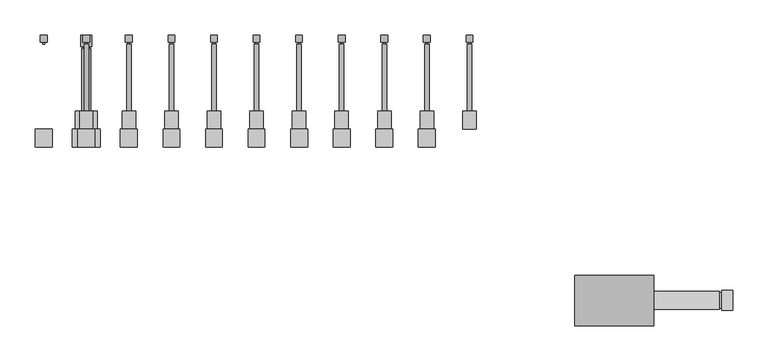
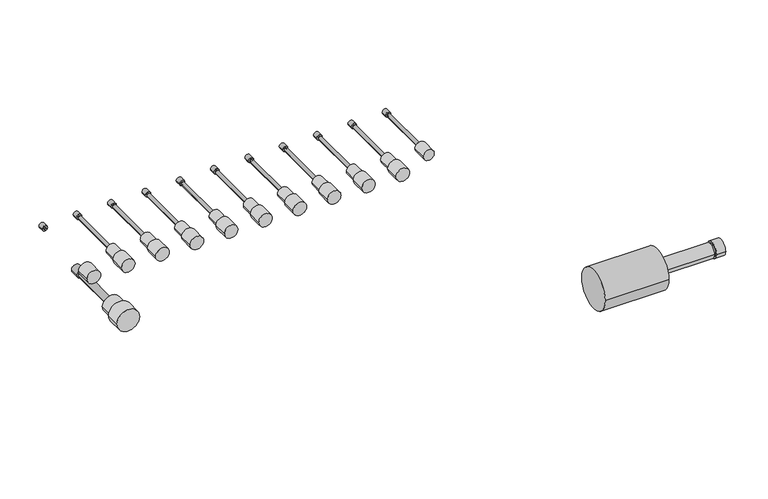
"""IFC4 building model written with IfcOpenShell, lengths in millimetres: proxy geometry."""

from ifc_helpers import new_model, si_unit, point, frame, frame_2d, origin, place, context, project, spatial, circle_curve, trimmed, segment, composite_curve, outline, extrude, source, transform, mapped, element, save
from ifc_brep_helpers import plane_surface, cylinder_surface, advanced_brep


def mechanical_equipment_6e2205ce(model_context):
    return source(origin(), model_context, "Body", "SolidModel", [
        advanced_brep(
        [(256.38125, 399.25625, 222.25), (265.90625, 399.25625, 222.25), (262.73125, 386.55625, 222.25), (259.55625, 386.55625, 222.25), (256.38125, 389.73125, 222.25), (265.90625, 389.73125, 222.25), (262.73125, 389.73125, 222.25), (259.55625, 389.73125, 222.25)],
        [
            (0, 1, circle_curve(frame((261.14375, 399.25625, 222.25), z_axis=(0.0, 1.0, 0.0), x_axis=(1.0, 0.0, 0.0)), 4.7625)),
            (1, 0, circle_curve(frame((261.14375, 399.25625, 222.25), z_axis=(0.0, 1.0, 0.0), x_axis=(1.0, 0.0, 0.0)), 4.7625)),
            (2, 3, circle_curve(frame((261.14375, 386.55625, 222.25), z_axis=(0.0, -1.0, 0.0), x_axis=(-1.0, 0.0, 0.0)), 1.5875)),
            (3, 2, circle_curve(frame((261.14375, 386.55625, 222.25), z_axis=(0.0, -1.0, 0.0), x_axis=(-1.0, 0.0, 0.0)), 1.5875)),
            (0, 4),
            (4, 5, circle_curve(frame((261.14375, 389.73125, 222.25), z_axis=(0.0, 1.0, 0.0), x_axis=(1.0, 0.0, 0.0)), 4.7625)),
            (5, 1),
            (5, 4, circle_curve(frame((261.14375, 389.73125, 222.25), z_axis=(0.0, 1.0, 0.0), x_axis=(1.0, 0.0, 0.0)), 4.7625)),
            (6, 7, circle_curve(frame((261.14375, 389.73125, 222.25), z_axis=(0.0, 1.0, 0.0), x_axis=(-1.0, 0.0, 0.0)), 1.5875)),
            (7, 6, circle_curve(frame((261.14375, 389.73125, 222.25), z_axis=(0.0, 1.0, 0.0), x_axis=(-1.0, 0.0, 0.0)), 1.5875)),
            (7, 3),
            (2, 6),
        ],
        [
            plane_surface(frame((261.14375, 399.25625, 222.25), z_axis=(0.0, 1.0, 0.0), x_axis=(0.0, 0.0, 1.0))),
            plane_surface(frame((261.14375, 386.55625, 222.25), z_axis=(0.0, -1.0, 0.0), x_axis=(0.0, 0.0, 1.0))),
            cylinder_surface(frame((261.14375, 399.25625, 222.25), z_axis=(0.0, 1.0, 0.0), x_axis=(1.0, 0.0, 0.0)), 4.7625),
            plane_surface(frame((261.14375, 389.73125, 222.25), z_axis=(0.0, -1.0, 0.0), x_axis=(0.0, 0.0, 1.0))),
            cylinder_surface(frame((261.14375, 386.55625, 222.25), z_axis=(0.0, 1.0, 0.0), x_axis=(-1.0, 0.0, 0.0)), 1.5875),
        ],
        [
            (0, [[1, 2]]),
            (1, [[3, 4]]),
            (2, [[-1, 5, 6, 7]]),
            (2, [[-2, -7, 8, -5]]),
            (3, [[-6, -8], [9, 10]]),
            (4, [[-10, 11, -3, 12]]),
            (4, [[-9, -12, -4, -11]]),
        ],
    ),
        extrude(outline(composite_curve([segment(trimmed(circle_curve(frame_2d((222.25, 261.14375)), 3.175), [point((222.25, 257.96875))], [point((222.25, 264.31875))], False, "CARTESIAN"), True, "CONTINUOUS"), segment(trimmed(circle_curve(frame_2d((222.25, 261.14375)), 3.175), [point((222.25, 264.31875))], [point((222.25, 257.96875))], False, "CARTESIAN"), True, "CONTINUOUS")], self_intersect=False)), frame((0.0, 291.30625, 0.0), z_axis=(0.0, 1.0, 0.0), x_axis=(0.0, 0.0, 1.0)), (0.0, 0.0, 1.0), 95.25),
        extrude(outline(composite_curve([segment(trimmed(circle_curve(frame_2d((222.25, 261.14375)), 9.525), [point((222.25, 270.66875))], [point((222.25, 251.61875))], False, "CARTESIAN"), True, "CONTINUOUS"), segment(trimmed(circle_curve(frame_2d((222.25, 261.14375)), 9.525), [point((222.25, 251.61875))], [point((222.25, 270.66875))], False, "CARTESIAN"), True, "CONTINUOUS")], self_intersect=False)), frame((0.0, 265.90625, 0.0), z_axis=(0.0, 1.0, 0.0), x_axis=(0.0, 0.0, 1.0)), (0.0, 0.0, 1.0), 25.4),
        extrude(outline(composite_curve([segment(trimmed(circle_curve(frame_2d((222.25, 200.81875)), 11.90625), [point((222.25, 212.725))], [point((222.25, 188.9125))], False, "CARTESIAN"), True, "CONTINUOUS"), segment(trimmed(circle_curve(frame_2d((222.25, 200.81875)), 11.90625), [point((222.25, 188.9125))], [point((222.25, 212.725))], False, "CARTESIAN"), True, "CONTINUOUS")], self_intersect=False)), frame((0.0, 240.50625, 0.0), z_axis=(0.0, 1.0, 0.0), x_axis=(0.0, 0.0, 1.0)), (0.0, 0.0, 1.0), 25.4),
        advanced_brep(
        [(196.05625, 399.25625, 222.25), (205.58125, 399.25625, 222.25), (202.40625, 386.55625, 222.25), (199.23125, 386.55625, 222.25), (196.05625, 389.73125, 222.25), (205.58125, 389.73125, 222.25), (202.40625, 389.73125, 222.25), (199.23125, 389.73125, 222.25)],
        [
            (0, 1, circle_curve(frame((200.81875, 399.25625, 222.25), z_axis=(0.0, 1.0, 0.0), x_axis=(1.0, 0.0, 0.0)), 4.7625)),
            (1, 0, circle_curve(frame((200.81875, 399.25625, 222.25), z_axis=(0.0, 1.0, 0.0), x_axis=(1.0, 0.0, 0.0)), 4.7625)),
            (2, 3, circle_curve(frame((200.81875, 386.55625, 222.25), z_axis=(0.0, -1.0, 0.0), x_axis=(-1.0, 0.0, 0.0)), 1.5875)),
            (3, 2, circle_curve(frame((200.81875, 386.55625, 222.25), z_axis=(0.0, -1.0, 0.0), x_axis=(-1.0, 0.0, 0.0)), 1.5875)),
            (0, 4),
            (4, 5, circle_curve(frame((200.81875, 389.73125, 222.25), z_axis=(0.0, 1.0, 0.0), x_axis=(1.0, 0.0, 0.0)), 4.7625)),
            (5, 1),
            (5, 4, circle_curve(frame((200.81875, 389.73125, 222.25), z_axis=(0.0, 1.0, 0.0), x_axis=(1.0, 0.0, 0.0)), 4.7625)),
            (6, 7, circle_curve(frame((200.81875, 389.73125, 222.25), z_axis=(0.0, 1.0, 0.0), x_axis=(-1.0, 0.0, 0.0)), 1.5875)),
            (7, 6, circle_curve(frame((200.81875, 389.73125, 222.25), z_axis=(0.0, 1.0, 0.0), x_axis=(-1.0, 0.0, 0.0)), 1.5875)),
            (7, 3),
            (2, 6),
        ],
        [
            plane_surface(frame((200.81875, 399.25625, 222.25), z_axis=(0.0, 1.0, 0.0), x_axis=(0.0, 0.0, 1.0))),
            plane_surface(frame((200.81875, 386.55625, 222.25), z_axis=(0.0, -1.0, 0.0), x_axis=(0.0, 0.0, 1.0))),
            cylinder_surface(frame((200.81875, 399.25625, 222.25), z_axis=(0.0, 1.0, 0.0), x_axis=(1.0, 0.0, 0.0)), 4.7625),
            plane_surface(frame((200.81875, 389.73125, 222.25), z_axis=(0.0, -1.0, 0.0), x_axis=(0.0, 0.0, 1.0))),
            cylinder_surface(frame((200.81875, 386.55625, 222.25), z_axis=(0.0, 1.0, 0.0), x_axis=(-1.0, 0.0, 0.0)), 1.5875),
        ],
        [
            (0, [[1, 2]]),
            (1, [[3, 4]]),
            (2, [[-1, 5, 6, 7]]),
            (2, [[-2, -7, 8, -5]]),
            (3, [[-6, -8], [9, 10]]),
            (4, [[-10, 11, -3, 12]]),
            (4, [[-9, -12, -4, -11]]),
        ],
    ),
        extrude(outline(composite_curve([segment(trimmed(circle_curve(frame_2d((222.25, 200.81875)), 3.175), [point((222.25, 197.64375))], [point((222.25, 203.99375))], False, "CARTESIAN"), True, "CONTINUOUS"), segment(trimmed(circle_curve(frame_2d((222.25, 200.81875)), 3.175), [point((222.25, 203.99375))], [point((222.25, 197.64375))], False, "CARTESIAN"), True, "CONTINUOUS")], self_intersect=False)), frame((0.0, 291.30625, 0.0), z_axis=(0.0, 1.0, 0.0), x_axis=(0.0, 0.0, 1.0)), (0.0, 0.0, 1.0), 95.25),
        extrude(outline(composite_curve([segment(trimmed(circle_curve(frame_2d((222.25, 200.81875)), 9.525), [point((222.25, 210.34375))], [point((222.25, 191.29375))], False, "CARTESIAN"), True, "CONTINUOUS"), segment(trimmed(circle_curve(frame_2d((222.25, 200.81875)), 9.525), [point((222.25, 191.29375))], [point((222.25, 210.34375))], False, "CARTESIAN"), True, "CONTINUOUS")], self_intersect=False)), frame((0.0, 265.90625, 0.0), z_axis=(0.0, 1.0, 0.0), x_axis=(0.0, 0.0, 1.0)), (0.0, 0.0, 1.0), 25.4),
        extrude(outline(composite_curve([segment(trimmed(circle_curve(frame_2d((222.25, 140.49375)), 11.90625), [point((222.25, 152.4))], [point((222.25, 128.5875))], False, "CARTESIAN"), True, "CONTINUOUS"), segment(trimmed(circle_curve(frame_2d((222.25, 140.49375)), 11.90625), [point((222.25, 128.5875))], [point((222.25, 152.4))], False, "CARTESIAN"), True, "CONTINUOUS")], self_intersect=False)), frame((0.0, 240.50625, 0.0), z_axis=(0.0, 1.0, 0.0), x_axis=(0.0, 0.0, 1.0)), (0.0, 0.0, 1.0), 25.4),
        advanced_brep(
        [(135.73125, 399.25625, 222.25), (145.25625, 399.25625, 222.25), (142.08125, 386.55625, 222.25), (138.90625, 386.55625, 222.25), (135.73125, 389.73125, 222.25), (145.25625, 389.73125, 222.25), (142.08125, 389.73125, 222.25), (138.90625, 389.73125, 222.25)],
        [
            (0, 1, circle_curve(frame((140.49375, 399.25625, 222.25), z_axis=(0.0, 1.0, 0.0), x_axis=(1.0, 0.0, 0.0)), 4.7625)),
            (1, 0, circle_curve(frame((140.49375, 399.25625, 222.25), z_axis=(0.0, 1.0, 0.0), x_axis=(1.0, 0.0, 0.0)), 4.7625)),
            (2, 3, circle_curve(frame((140.49375, 386.55625, 222.25), z_axis=(0.0, -1.0, 0.0), x_axis=(-1.0, 0.0, 0.0)), 1.5875)),
            (3, 2, circle_curve(frame((140.49375, 386.55625, 222.25), z_axis=(0.0, -1.0, 0.0), x_axis=(-1.0, 0.0, 0.0)), 1.5875)),
            (0, 4),
            (4, 5, circle_curve(frame((140.49375, 389.73125, 222.25), z_axis=(0.0, 1.0, 0.0), x_axis=(1.0, 0.0, 0.0)), 4.7625)),
            (5, 1),
            (5, 4, circle_curve(frame((140.49375, 389.73125, 222.25), z_axis=(0.0, 1.0, 0.0), x_axis=(1.0, 0.0, 0.0)), 4.7625)),
            (6, 7, circle_curve(frame((140.49375, 389.73125, 222.25), z_axis=(0.0, 1.0, 0.0), x_axis=(-1.0, 0.0, 0.0)), 1.5875)),
            (7, 6, circle_curve(frame((140.49375, 389.73125, 222.25), z_axis=(0.0, 1.0, 0.0), x_axis=(-1.0, 0.0, 0.0)), 1.5875)),
            (7, 3),
            (2, 6),
        ],
        [
            plane_surface(frame((140.49375, 399.25625, 222.25), z_axis=(0.0, 1.0, 0.0), x_axis=(0.0, 0.0, 1.0))),
            plane_surface(frame((140.49375, 386.55625, 222.25), z_axis=(0.0, -1.0, 0.0), x_axis=(0.0, 0.0, 1.0))),
            cylinder_surface(frame((140.49375, 399.25625, 222.25), z_axis=(0.0, 1.0, 0.0), x_axis=(1.0, 0.0, 0.0)), 4.7625),
            plane_surface(frame((140.49375, 389.73125, 222.25), z_axis=(0.0, -1.0, 0.0), x_axis=(0.0, 0.0, 1.0))),
            cylinder_surface(frame((140.49375, 386.55625, 222.25), z_axis=(0.0, 1.0, 0.0), x_axis=(-1.0, 0.0, 0.0)), 1.5875),
        ],
        [
            (0, [[1, 2]]),
            (1, [[3, 4]]),
            (2, [[-1, 5, 6, 7]]),
            (2, [[-2, -7, 8, -5]]),
            (3, [[-6, -8], [9, 10]]),
            (4, [[-10, 11, -3, 12]]),
            (4, [[-9, -12, -4, -11]]),
        ],
    ),
        extrude(outline(composite_curve([segment(trimmed(circle_curve(frame_2d((222.25, 140.49375)), 3.175), [point((222.25, 137.31875))], [point((222.25, 143.66875))], False, "CARTESIAN"), True, "CONTINUOUS"), segment(trimmed(circle_curve(frame_2d((222.25, 140.49375)), 3.175), [point((222.25, 143.66875))], [point((222.25, 137.31875))], False, "CARTESIAN"), True, "CONTINUOUS")], self_intersect=False)), frame((0.0, 291.30625, 0.0), z_axis=(0.0, 1.0, 0.0), x_axis=(0.0, 0.0, 1.0)), (0.0, 0.0, 1.0), 95.25),
        extrude(outline(composite_curve([segment(trimmed(circle_curve(frame_2d((222.25, 140.49375)), 9.525), [point((222.25, 150.01875))], [point((222.25, 130.96875))], False, "CARTESIAN"), True, "CONTINUOUS"), segment(trimmed(circle_curve(frame_2d((222.25, 140.49375)), 9.525), [point((222.25, 130.96875))], [point((222.25, 150.01875))], False, "CARTESIAN"), True, "CONTINUOUS")], self_intersect=False)), frame((0.0, 265.90625, 0.0), z_axis=(0.0, 1.0, 0.0), x_axis=(0.0, 0.0, 1.0)), (0.0, 0.0, 1.0), 25.4),
        extrude(outline(composite_curve([segment(trimmed(circle_curve(frame_2d((222.25, 80.16875)), 11.90625), [point((222.25, 92.075))], [point((222.25, 68.2625))], False, "CARTESIAN"), True, "CONTINUOUS"), segment(trimmed(circle_curve(frame_2d((222.25, 80.16875)), 11.90625), [point((222.25, 68.2625))], [point((222.25, 92.075))], False, "CARTESIAN"), True, "CONTINUOUS")], self_intersect=False)), frame((0.0, 240.50625, 0.0), z_axis=(0.0, 1.0, 0.0), x_axis=(0.0, 0.0, 1.0)), (0.0, 0.0, 1.0), 25.4),
        advanced_brep(
        [(75.40625, 399.25625, 222.25), (84.93125, 399.25625, 222.25), (81.75625, 386.55625, 222.25), (78.58125, 386.55625, 222.25), (75.40625, 389.73125, 222.25), (84.93125, 389.73125, 222.25), (81.75625, 389.73125, 222.25), (78.58125, 389.73125, 222.25)],
        [
            (0, 1, circle_curve(frame((80.16875, 399.25625, 222.25), z_axis=(0.0, 1.0, 0.0), x_axis=(1.0, 0.0, 0.0)), 4.7625)),
            (1, 0, circle_curve(frame((80.16875, 399.25625, 222.25), z_axis=(0.0, 1.0, 0.0), x_axis=(1.0, 0.0, 0.0)), 4.7625)),
            (2, 3, circle_curve(frame((80.16875, 386.55625, 222.25), z_axis=(0.0, -1.0, 0.0), x_axis=(-1.0, 0.0, 0.0)), 1.5875)),
            (3, 2, circle_curve(frame((80.16875, 386.55625, 222.25), z_axis=(0.0, -1.0, 0.0), x_axis=(-1.0, 0.0, 0.0)), 1.5875)),
            (0, 4),
            (4, 5, circle_curve(frame((80.16875, 389.73125, 222.25), z_axis=(0.0, 1.0, 0.0), x_axis=(1.0, 0.0, 0.0)), 4.7625)),
            (5, 1),
            (5, 4, circle_curve(frame((80.16875, 389.73125, 222.25), z_axis=(0.0, 1.0, 0.0), x_axis=(1.0, 0.0, 0.0)), 4.7625)),
            (6, 7, circle_curve(frame((80.16875, 389.73125, 222.25), z_axis=(0.0, 1.0, 0.0), x_axis=(-1.0, 0.0, 0.0)), 1.5875)),
            (7, 6, circle_curve(frame((80.16875, 389.73125, 222.25), z_axis=(0.0, 1.0, 0.0), x_axis=(-1.0, 0.0, 0.0)), 1.5875)),
            (7, 3),
            (2, 6),
        ],
        [
            plane_surface(frame((80.16875, 399.25625, 222.25), z_axis=(0.0, 1.0, 0.0), x_axis=(0.0, 0.0, 1.0))),
            plane_surface(frame((80.16875, 386.55625, 222.25), z_axis=(0.0, -1.0, 0.0), x_axis=(0.0, 0.0, 1.0))),
            cylinder_surface(frame((80.16875, 399.25625, 222.25), z_axis=(0.0, 1.0, 0.0), x_axis=(1.0, 0.0, 0.0)), 4.7625),
            plane_surface(frame((80.16875, 389.73125, 222.25), z_axis=(0.0, -1.0, 0.0), x_axis=(0.0, 0.0, 1.0))),
            cylinder_surface(frame((80.16875, 386.55625, 222.25), z_axis=(0.0, 1.0, 0.0), x_axis=(-1.0, 0.0, 0.0)), 1.5875),
        ],
        [
            (0, [[1, 2]]),
            (1, [[3, 4]]),
            (2, [[-1, 5, 6, 7]]),
            (2, [[-2, -7, 8, -5]]),
            (3, [[-6, -8], [9, 10]]),
            (4, [[-10, 11, -3, 12]]),
            (4, [[-9, -12, -4, -11]]),
        ],
    ),
        extrude(outline(composite_curve([segment(trimmed(circle_curve(frame_2d((222.25, 80.16875)), 3.175), [point((222.25, 76.99375))], [point((222.25, 83.34375))], False, "CARTESIAN"), True, "CONTINUOUS"), segment(trimmed(circle_curve(frame_2d((222.25, 80.16875)), 3.175), [point((222.25, 83.34375))], [point((222.25, 76.99375))], False, "CARTESIAN"), True, "CONTINUOUS")], self_intersect=False)), frame((0.0, 291.30625, 0.0), z_axis=(0.0, 1.0, 0.0), x_axis=(0.0, 0.0, 1.0)), (0.0, 0.0, 1.0), 95.25),
        extrude(outline(composite_curve([segment(trimmed(circle_curve(frame_2d((222.25, 80.16875)), 9.525), [point((222.25, 89.69375))], [point((222.25, 70.64375))], False, "CARTESIAN"), True, "CONTINUOUS"), segment(trimmed(circle_curve(frame_2d((222.25, 80.16875)), 9.525), [point((222.25, 70.64375))], [point((222.25, 89.69375))], False, "CARTESIAN"), True, "CONTINUOUS")], self_intersect=False)), frame((0.0, 265.90625, 0.0), z_axis=(0.0, 1.0, 0.0), x_axis=(0.0, 0.0, 1.0)), (0.0, 0.0, 1.0), 25.4),
        extrude(outline(composite_curve([segment(trimmed(circle_curve(frame_2d((222.25, 19.84375)), 11.90625), [point((222.25, 31.75))], [point((222.25, 7.9375))], False, "CARTESIAN"), True, "CONTINUOUS"), segment(trimmed(circle_curve(frame_2d((222.25, 19.84375)), 11.90625), [point((222.25, 7.9375))], [point((222.25, 31.75))], False, "CARTESIAN"), True, "CONTINUOUS")], self_intersect=False)), frame((0.0, 240.50625, 0.0), z_axis=(0.0, 1.0, 0.0), x_axis=(0.0, 0.0, 1.0)), (0.0, 0.0, 1.0), 25.4),
        advanced_brep(
        [(15.08125, 399.25625, 222.25), (24.60625, 399.25625, 222.25), (21.43125, 386.55625, 222.25), (18.25625, 386.55625, 222.25), (15.08125, 389.73125, 222.25), (24.60625, 389.73125, 222.25), (21.43125, 389.73125, 222.25), (18.25625, 389.73125, 222.25)],
        [
            (0, 1, circle_curve(frame((19.84375, 399.25625, 222.25), z_axis=(0.0, 1.0, 0.0), x_axis=(1.0, 0.0, 0.0)), 4.7625)),
            (1, 0, circle_curve(frame((19.84375, 399.25625, 222.25), z_axis=(0.0, 1.0, 0.0), x_axis=(1.0, 0.0, 0.0)), 4.7625)),
            (2, 3, circle_curve(frame((19.84375, 386.55625, 222.25), z_axis=(0.0, -1.0, 0.0), x_axis=(-1.0, 0.0, 0.0)), 1.5875)),
            (3, 2, circle_curve(frame((19.84375, 386.55625, 222.25), z_axis=(0.0, -1.0, 0.0), x_axis=(-1.0, 0.0, 0.0)), 1.5875)),
            (0, 4),
            (4, 5, circle_curve(frame((19.84375, 389.73125, 222.25), z_axis=(0.0, 1.0, 0.0), x_axis=(1.0, 0.0, 0.0)), 4.7625)),
            (5, 1),
            (5, 4, circle_curve(frame((19.84375, 389.73125, 222.25), z_axis=(0.0, 1.0, 0.0), x_axis=(1.0, 0.0, 0.0)), 4.7625)),
            (6, 7, circle_curve(frame((19.84375, 389.73125, 222.25), z_axis=(0.0, 1.0, 0.0), x_axis=(-1.0, 0.0, 0.0)), 1.5875)),
            (7, 6, circle_curve(frame((19.84375, 389.73125, 222.25), z_axis=(0.0, 1.0, 0.0), x_axis=(-1.0, 0.0, 0.0)), 1.5875)),
            (7, 3),
            (2, 6),
        ],
        [
            plane_surface(frame((19.84375, 399.25625, 222.25), z_axis=(0.0, 1.0, 0.0), x_axis=(0.0, 0.0, 1.0))),
            plane_surface(frame((19.84375, 386.55625, 222.25), z_axis=(0.0, -1.0, 0.0), x_axis=(0.0, 0.0, 1.0))),
            cylinder_surface(frame((19.84375, 399.25625, 222.25), z_axis=(0.0, 1.0, 0.0), x_axis=(1.0, 0.0, 0.0)), 4.7625),
            plane_surface(frame((19.84375, 389.73125, 222.25), z_axis=(0.0, -1.0, 0.0), x_axis=(0.0, 0.0, 1.0))),
            cylinder_surface(frame((19.84375, 386.55625, 222.25), z_axis=(0.0, 1.0, 0.0), x_axis=(-1.0, 0.0, 0.0)), 1.5875),
        ],
        [
            (0, [[1, 2]]),
            (1, [[3, 4]]),
            (2, [[-1, 5, 6, 7]]),
            (2, [[-2, -7, 8, -5]]),
            (3, [[-6, -8], [9, 10]]),
            (4, [[-10, 11, -3, 12]]),
            (4, [[-9, -12, -4, -11]]),
        ],
    ),
        extrude(outline(composite_curve([segment(trimmed(circle_curve(frame_2d((222.25, 19.84375)), 3.175), [point((222.25, 16.66875))], [point((222.25, 23.01875))], False, "CARTESIAN"), True, "CONTINUOUS"), segment(trimmed(circle_curve(frame_2d((222.25, 19.84375)), 3.175), [point((222.25, 23.01875))], [point((222.25, 16.66875))], False, "CARTESIAN"), True, "CONTINUOUS")], self_intersect=False)), frame((0.0, 291.30625, 0.0), z_axis=(0.0, 1.0, 0.0), x_axis=(0.0, 0.0, 1.0)), (0.0, 0.0, 1.0), 95.25),
        extrude(outline(composite_curve([segment(trimmed(circle_curve(frame_2d((222.25, 19.84375)), 9.525), [point((222.25, 29.36875))], [point((222.25, 10.31875))], False, "CARTESIAN"), True, "CONTINUOUS"), segment(trimmed(circle_curve(frame_2d((222.25, 19.84375)), 9.525), [point((222.25, 10.31875))], [point((222.25, 29.36875))], False, "CARTESIAN"), True, "CONTINUOUS")], self_intersect=False)), frame((0.0, 265.90625, 0.0), z_axis=(0.0, 1.0, 0.0), x_axis=(0.0, 0.0, 1.0)), (0.0, 0.0, 1.0), 25.4),
        extrude(outline(composite_curve([segment(trimmed(circle_curve(frame_2d((222.25, -40.48125)), 11.90625), [point((222.25, -28.575))], [point((222.25, -52.3875))], False, "CARTESIAN"), True, "CONTINUOUS"), segment(trimmed(circle_curve(frame_2d((222.25, -40.48125)), 11.90625), [point((222.25, -52.3875))], [point((222.25, -28.575))], False, "CARTESIAN"), True, "CONTINUOUS")], self_intersect=False)), frame((0.0, 240.50625, 0.0), z_axis=(0.0, 1.0, 0.0), x_axis=(0.0, 0.0, 1.0)), (0.0, 0.0, 1.0), 25.4),
        advanced_brep(
        [(-45.24375, 399.25625, 222.25), (-35.71875, 399.25625, 222.25), (-38.89375, 386.55625, 222.25), (-42.06875, 386.55625, 222.25), (-45.24375, 389.73125, 222.25), (-35.71875, 389.73125, 222.25), (-38.89375, 389.73125, 222.25), (-42.06875, 389.73125, 222.25)],
        [
            (0, 1, circle_curve(frame((-40.48125, 399.25625, 222.25), z_axis=(0.0, 1.0, 0.0), x_axis=(1.0, 0.0, 0.0)), 4.7625)),
            (1, 0, circle_curve(frame((-40.48125, 399.25625, 222.25), z_axis=(0.0, 1.0, 0.0), x_axis=(1.0, 0.0, 0.0)), 4.7625)),
            (2, 3, circle_curve(frame((-40.48125, 386.55625, 222.25), z_axis=(0.0, -1.0, 0.0), x_axis=(-1.0, 0.0, 0.0)), 1.5875)),
            (3, 2, circle_curve(frame((-40.48125, 386.55625, 222.25), z_axis=(0.0, -1.0, 0.0), x_axis=(-1.0, 0.0, 0.0)), 1.5875)),
            (0, 4),
            (4, 5, circle_curve(frame((-40.48125, 389.73125, 222.25), z_axis=(0.0, 1.0, 0.0), x_axis=(1.0, 0.0, 0.0)), 4.7625)),
            (5, 1),
            (5, 4, circle_curve(frame((-40.48125, 389.73125, 222.25), z_axis=(0.0, 1.0, 0.0), x_axis=(1.0, 0.0, 0.0)), 4.7625)),
            (6, 7, circle_curve(frame((-40.48125, 389.73125, 222.25), z_axis=(0.0, 1.0, 0.0), x_axis=(-1.0, 0.0, 0.0)), 1.5875)),
            (7, 6, circle_curve(frame((-40.48125, 389.73125, 222.25), z_axis=(0.0, 1.0, 0.0), x_axis=(-1.0, 0.0, 0.0)), 1.5875)),
            (7, 3),
            (2, 6),
        ],
        [
            plane_surface(frame((-40.48125, 399.25625, 222.25), z_axis=(0.0, 1.0, 0.0), x_axis=(0.0, 0.0, 1.0))),
            plane_surface(frame((-40.48125, 386.55625, 222.25), z_axis=(0.0, -1.0, 0.0), x_axis=(0.0, 0.0, 1.0))),
            cylinder_surface(frame((-40.48125, 399.25625, 222.25), z_axis=(0.0, 1.0, 0.0), x_axis=(1.0, 0.0, 0.0)), 4.7625),
            plane_surface(frame((-40.48125, 389.73125, 222.25), z_axis=(0.0, -1.0, 0.0), x_axis=(0.0, 0.0, 1.0))),
            cylinder_surface(frame((-40.48125, 386.55625, 222.25), z_axis=(0.0, 1.0, 0.0), x_axis=(-1.0, 0.0, 0.0)), 1.5875),
        ],
        [
            (0, [[1, 2]]),
            (1, [[3, 4]]),
            (2, [[-1, 5, 6, 7]]),
            (2, [[-2, -7, 8, -5]]),
            (3, [[-6, -8], [9, 10]]),
            (4, [[-10, 11, -3, 12]]),
            (4, [[-9, -12, -4, -11]]),
        ],
    ),
        extrude(outline(composite_curve([segment(trimmed(circle_curve(frame_2d((222.25, -40.48125)), 3.175), [point((222.25, -43.65625))], [point((222.25, -37.30625))], False, "CARTESIAN"), True, "CONTINUOUS"), segment(trimmed(circle_curve(frame_2d((222.25, -40.48125)), 3.175), [point((222.25, -37.30625))], [point((222.25, -43.65625))], False, "CARTESIAN"), True, "CONTINUOUS")], self_intersect=False)), frame((0.0, 291.30625, 0.0), z_axis=(0.0, 1.0, 0.0), x_axis=(0.0, 0.0, 1.0)), (0.0, 0.0, 1.0), 95.25),
        extrude(outline(composite_curve([segment(trimmed(circle_curve(frame_2d((222.25, -40.48125)), 9.525), [point((222.25, -30.95625))], [point((222.25, -50.00625))], False, "CARTESIAN"), True, "CONTINUOUS"), segment(trimmed(circle_curve(frame_2d((222.25, -40.48125)), 9.525), [point((222.25, -50.00625))], [point((222.25, -30.95625))], False, "CARTESIAN"), True, "CONTINUOUS")], self_intersect=False)), frame((0.0, 265.90625, 0.0), z_axis=(0.0, 1.0, 0.0), x_axis=(0.0, 0.0, 1.0)), (0.0, 0.0, 1.0), 25.4),
        extrude(outline(composite_curve([segment(trimmed(circle_curve(frame_2d((222.25, -100.80625)), 11.90625), [point((222.25, -88.9))], [point((222.25, -112.7125))], False, "CARTESIAN"), True, "CONTINUOUS"), segment(trimmed(circle_curve(frame_2d((222.25, -100.80625)), 11.90625), [point((222.25, -112.7125))], [point((222.25, -88.9))], False, "CARTESIAN"), True, "CONTINUOUS")], self_intersect=False)), frame((0.0, 240.50625, 0.0), z_axis=(0.0, 1.0, 0.0), x_axis=(0.0, 0.0, 1.0)), (0.0, 0.0, 1.0), 25.4),
        advanced_brep(
        [(-105.56875, 399.25625, 222.25), (-96.04375, 399.25625, 222.25), (-99.21875, 386.55625, 222.25), (-102.39375, 386.55625, 222.25), (-105.56875, 389.73125, 222.25), (-96.04375, 389.73125, 222.25), (-99.21875, 389.73125, 222.25), (-102.39375, 389.73125, 222.25)],
        [
            (0, 1, circle_curve(frame((-100.80625, 399.25625, 222.25), z_axis=(0.0, 1.0, 0.0), x_axis=(1.0, 0.0, 0.0)), 4.7625)),
            (1, 0, circle_curve(frame((-100.80625, 399.25625, 222.25), z_axis=(0.0, 1.0, 0.0), x_axis=(1.0, 0.0, 0.0)), 4.7625)),
            (2, 3, circle_curve(frame((-100.80625, 386.55625, 222.25), z_axis=(0.0, -1.0, 0.0), x_axis=(-1.0, 0.0, 0.0)), 1.5875)),
            (3, 2, circle_curve(frame((-100.80625, 386.55625, 222.25), z_axis=(0.0, -1.0, 0.0), x_axis=(-1.0, 0.0, 0.0)), 1.5875)),
            (0, 4),
            (4, 5, circle_curve(frame((-100.80625, 389.73125, 222.25), z_axis=(0.0, 1.0, 0.0), x_axis=(1.0, 0.0, 0.0)), 4.7625)),
            (5, 1),
            (5, 4, circle_curve(frame((-100.80625, 389.73125, 222.25), z_axis=(0.0, 1.0, 0.0), x_axis=(1.0, 0.0, 0.0)), 4.7625)),
            (6, 7, circle_curve(frame((-100.80625, 389.73125, 222.25), z_axis=(0.0, 1.0, 0.0), x_axis=(-1.0, 0.0, 0.0)), 1.5875)),
            (7, 6, circle_curve(frame((-100.80625, 389.73125, 222.25), z_axis=(0.0, 1.0, 0.0), x_axis=(-1.0, 0.0, 0.0)), 1.5875)),
            (7, 3),
            (2, 6),
        ],
        [
            plane_surface(frame((-100.80625, 399.25625, 222.25), z_axis=(0.0, 1.0, 0.0), x_axis=(0.0, 0.0, 1.0))),
            plane_surface(frame((-100.80625, 386.55625, 222.25), z_axis=(0.0, -1.0, 0.0), x_axis=(0.0, 0.0, 1.0))),
            cylinder_surface(frame((-100.80625, 399.25625, 222.25), z_axis=(0.0, 1.0, 0.0), x_axis=(1.0, 0.0, 0.0)), 4.7625),
            plane_surface(frame((-100.80625, 389.73125, 222.25), z_axis=(0.0, -1.0, 0.0), x_axis=(0.0, 0.0, 1.0))),
            cylinder_surface(frame((-100.80625, 386.55625, 222.25), z_axis=(0.0, 1.0, 0.0), x_axis=(-1.0, 0.0, 0.0)), 1.5875),
        ],
        [
            (0, [[1, 2]]),
            (1, [[3, 4]]),
            (2, [[-1, 5, 6, 7]]),
            (2, [[-2, -7, 8, -5]]),
            (3, [[-6, -8], [9, 10]]),
            (4, [[-10, 11, -3, 12]]),
            (4, [[-9, -12, -4, -11]]),
        ],
    ),
        extrude(outline(composite_curve([segment(trimmed(circle_curve(frame_2d((222.25, -100.80625)), 3.175), [point((222.25, -103.98125))], [point((222.25, -97.63125))], False, "CARTESIAN"), True, "CONTINUOUS"), segment(trimmed(circle_curve(frame_2d((222.25, -100.80625)), 3.175), [point((222.25, -97.63125))], [point((222.25, -103.98125))], False, "CARTESIAN"), True, "CONTINUOUS")], self_intersect=False)), frame((0.0, 291.30625, 0.0), z_axis=(0.0, 1.0, 0.0), x_axis=(0.0, 0.0, 1.0)), (0.0, 0.0, 1.0), 95.25),
        extrude(outline(composite_curve([segment(trimmed(circle_curve(frame_2d((222.25, -100.80625)), 9.525), [point((222.25, -91.28125))], [point((222.25, -110.33125))], False, "CARTESIAN"), True, "CONTINUOUS"), segment(trimmed(circle_curve(frame_2d((222.25, -100.80625)), 9.525), [point((222.25, -110.33125))], [point((222.25, -91.28125))], False, "CARTESIAN"), True, "CONTINUOUS")], self_intersect=False)), frame((0.0, 265.90625, 0.0), z_axis=(0.0, 1.0, 0.0), x_axis=(0.0, 0.0, 1.0)), (0.0, 0.0, 1.0), 25.4),
        extrude(outline(composite_curve([segment(trimmed(circle_curve(frame_2d((222.25, -161.13125)), 11.90625), [point((222.25, -149.225))], [point((222.25, -173.0375))], False, "CARTESIAN"), True, "CONTINUOUS"), segment(trimmed(circle_curve(frame_2d((222.25, -161.13125)), 11.90625), [point((222.25, -173.0375))], [point((222.25, -149.225))], False, "CARTESIAN"), True, "CONTINUOUS")], self_intersect=False)), frame((0.0, 240.50625, 0.0), z_axis=(0.0, 1.0, 0.0), x_axis=(0.0, 0.0, 1.0)), (0.0, 0.0, 1.0), 25.4),
        advanced_brep(
        [(-165.89375, 399.25625, 222.25), (-156.36875, 399.25625, 222.25), (-159.54375, 386.55625, 222.25), (-162.71875, 386.55625, 222.25), (-165.89375, 389.73125, 222.25), (-156.36875, 389.73125, 222.25), (-159.54375, 389.73125, 222.25), (-162.71875, 389.73125, 222.25)],
        [
            (0, 1, circle_curve(frame((-161.13125, 399.25625, 222.25), z_axis=(0.0, 1.0, 0.0), x_axis=(1.0, 0.0, 0.0)), 4.7625)),
            (1, 0, circle_curve(frame((-161.13125, 399.25625, 222.25), z_axis=(0.0, 1.0, 0.0), x_axis=(1.0, 0.0, 0.0)), 4.7625)),
            (2, 3, circle_curve(frame((-161.13125, 386.55625, 222.25), z_axis=(0.0, -1.0, 0.0), x_axis=(-1.0, 0.0, 0.0)), 1.5875)),
            (3, 2, circle_curve(frame((-161.13125, 386.55625, 222.25), z_axis=(0.0, -1.0, 0.0), x_axis=(-1.0, 0.0, 0.0)), 1.5875)),
            (0, 4),
            (4, 5, circle_curve(frame((-161.13125, 389.73125, 222.25), z_axis=(0.0, 1.0, 0.0), x_axis=(1.0, 0.0, 0.0)), 4.7625)),
            (5, 1),
            (5, 4, circle_curve(frame((-161.13125, 389.73125, 222.25), z_axis=(0.0, 1.0, 0.0), x_axis=(1.0, 0.0, 0.0)), 4.7625)),
            (6, 7, circle_curve(frame((-161.13125, 389.73125, 222.25), z_axis=(0.0, 1.0, 0.0), x_axis=(-1.0, 0.0, 0.0)), 1.5875)),
            (7, 6, circle_curve(frame((-161.13125, 389.73125, 222.25), z_axis=(0.0, 1.0, 0.0), x_axis=(-1.0, 0.0, 0.0)), 1.5875)),
            (7, 3),
            (2, 6),
        ],
        [
            plane_surface(frame((-161.13125, 399.25625, 222.25), z_axis=(0.0, 1.0, 0.0), x_axis=(0.0, 0.0, 1.0))),
            plane_surface(frame((-161.13125, 386.55625, 222.25), z_axis=(0.0, -1.0, 0.0), x_axis=(0.0, 0.0, 1.0))),
            cylinder_surface(frame((-161.13125, 399.25625, 222.25), z_axis=(0.0, 1.0, 0.0), x_axis=(1.0, 0.0, 0.0)), 4.7625),
            plane_surface(frame((-161.13125, 389.73125, 222.25), z_axis=(0.0, -1.0, 0.0), x_axis=(0.0, 0.0, 1.0))),
            cylinder_surface(frame((-161.13125, 386.55625, 222.25), z_axis=(0.0, 1.0, 0.0), x_axis=(-1.0, 0.0, 0.0)), 1.5875),
        ],
        [
            (0, [[1, 2]]),
            (1, [[3, 4]]),
            (2, [[-1, 5, 6, 7]]),
            (2, [[-2, -7, 8, -5]]),
            (3, [[-6, -8], [9, 10]]),
            (4, [[-10, 11, -3, 12]]),
            (4, [[-9, -12, -4, -11]]),
        ],
    ),
        extrude(outline(composite_curve([segment(trimmed(circle_curve(frame_2d((222.25, -161.13125)), 3.175), [point((222.25, -164.30625))], [point((222.25, -157.95625))], False, "CARTESIAN"), True, "CONTINUOUS"), segment(trimmed(circle_curve(frame_2d((222.25, -161.13125)), 3.175), [point((222.25, -157.95625))], [point((222.25, -164.30625))], False, "CARTESIAN"), True, "CONTINUOUS")], self_intersect=False)), frame((0.0, 291.30625, 0.0), z_axis=(0.0, 1.0, 0.0), x_axis=(0.0, 0.0, 1.0)), (0.0, 0.0, 1.0), 95.25),
        extrude(outline(composite_curve([segment(trimmed(circle_curve(frame_2d((222.25, -161.13125)), 9.525), [point((222.25, -151.60625))], [point((222.25, -170.65625))], False, "CARTESIAN"), True, "CONTINUOUS"), segment(trimmed(circle_curve(frame_2d((222.25, -161.13125)), 9.525), [point((222.25, -170.65625))], [point((222.25, -151.60625))], False, "CARTESIAN"), True, "CONTINUOUS")], self_intersect=False)), frame((0.0, 265.90625, 0.0), z_axis=(0.0, 1.0, 0.0), x_axis=(0.0, 0.0, 1.0)), (0.0, 0.0, 1.0), 25.4),
        extrude(outline(composite_curve([segment(trimmed(circle_curve(frame_2d((222.25, -221.45625)), 11.90625), [point((222.25, -209.55))], [point((222.25, -233.3625))], False, "CARTESIAN"), True, "CONTINUOUS"), segment(trimmed(circle_curve(frame_2d((222.25, -221.45625)), 11.90625), [point((222.25, -233.3625))], [point((222.25, -209.55))], False, "CARTESIAN"), True, "CONTINUOUS")], self_intersect=False)), frame((0.0, 240.50625, 0.0), z_axis=(0.0, 1.0, 0.0), x_axis=(0.0, 0.0, 1.0)), (0.0, 0.0, 1.0), 25.4),
        advanced_brep(
        [(-226.21875, 399.25625, 222.25), (-216.69375, 399.25625, 222.25), (-219.86875, 386.55625, 222.25), (-223.04375, 386.55625, 222.25), (-226.21875, 389.73125, 222.25), (-216.69375, 389.73125, 222.25), (-219.86875, 389.73125, 222.25), (-223.04375, 389.73125, 222.25)],
        [
            (0, 1, circle_curve(frame((-221.45625, 399.25625, 222.25), z_axis=(0.0, 1.0, 0.0), x_axis=(1.0, 0.0, 0.0)), 4.7625)),
            (1, 0, circle_curve(frame((-221.45625, 399.25625, 222.25), z_axis=(0.0, 1.0, 0.0), x_axis=(1.0, 0.0, 0.0)), 4.7625)),
            (2, 3, circle_curve(frame((-221.45625, 386.55625, 222.25), z_axis=(0.0, -1.0, 0.0), x_axis=(-1.0, 0.0, 0.0)), 1.5875)),
            (3, 2, circle_curve(frame((-221.45625, 386.55625, 222.25), z_axis=(0.0, -1.0, 0.0), x_axis=(-1.0, 0.0, 0.0)), 1.5875)),
            (0, 4),
            (4, 5, circle_curve(frame((-221.45625, 389.73125, 222.25), z_axis=(0.0, 1.0, 0.0), x_axis=(1.0, 0.0, 0.0)), 4.7625)),
            (5, 1),
            (5, 4, circle_curve(frame((-221.45625, 389.73125, 222.25), z_axis=(0.0, 1.0, 0.0), x_axis=(1.0, 0.0, 0.0)), 4.7625)),
            (6, 7, circle_curve(frame((-221.45625, 389.73125, 222.25), z_axis=(0.0, 1.0, 0.0), x_axis=(-1.0, 0.0, 0.0)), 1.5875)),
            (7, 6, circle_curve(frame((-221.45625, 389.73125, 222.25), z_axis=(0.0, 1.0, 0.0), x_axis=(-1.0, 0.0, 0.0)), 1.5875)),
            (7, 3),
            (2, 6),
        ],
        [
            plane_surface(frame((-221.45625, 399.25625, 222.25), z_axis=(0.0, 1.0, 0.0), x_axis=(0.0, 0.0, 1.0))),
            plane_surface(frame((-221.45625, 386.55625, 222.25), z_axis=(0.0, -1.0, 0.0), x_axis=(0.0, 0.0, 1.0))),
            cylinder_surface(frame((-221.45625, 399.25625, 222.25), z_axis=(0.0, 1.0, 0.0), x_axis=(1.0, 0.0, 0.0)), 4.7625),
            plane_surface(frame((-221.45625, 389.73125, 222.25), z_axis=(0.0, -1.0, 0.0), x_axis=(0.0, 0.0, 1.0))),
            cylinder_surface(frame((-221.45625, 386.55625, 222.25), z_axis=(0.0, 1.0, 0.0), x_axis=(-1.0, 0.0, 0.0)), 1.5875),
        ],
        [
            (0, [[1, 2]]),
            (1, [[3, 4]]),
            (2, [[-1, 5, 6, 7]]),
            (2, [[-2, -7, 8, -5]]),
            (3, [[-6, -8], [9, 10]]),
            (4, [[-10, 11, -3, 12]]),
            (4, [[-9, -12, -4, -11]]),
        ],
    ),
        extrude(outline(composite_curve([segment(trimmed(circle_curve(frame_2d((222.25, -221.45625)), 3.175), [point((222.25, -224.63125))], [point((222.25, -218.28125))], False, "CARTESIAN"), True, "CONTINUOUS"), segment(trimmed(circle_curve(frame_2d((222.25, -221.45625)), 3.175), [point((222.25, -218.28125))], [point((222.25, -224.63125))], False, "CARTESIAN"), True, "CONTINUOUS")], self_intersect=False)), frame((0.0, 291.30625, 0.0), z_axis=(0.0, 1.0, 0.0), x_axis=(0.0, 0.0, 1.0)), (0.0, 0.0, 1.0), 95.25),
        extrude(outline(composite_curve([segment(trimmed(circle_curve(frame_2d((222.25, -221.45625)), 9.525), [point((222.25, -211.93125))], [point((222.25, -230.98125))], False, "CARTESIAN"), True, "CONTINUOUS"), segment(trimmed(circle_curve(frame_2d((222.25, -221.45625)), 9.525), [point((222.25, -230.98125))], [point((222.25, -211.93125))], False, "CARTESIAN"), True, "CONTINUOUS")], self_intersect=False)), frame((0.0, 265.90625, 0.0), z_axis=(0.0, 1.0, 0.0), x_axis=(0.0, 0.0, 1.0)), (0.0, 0.0, 1.0), 25.4),
        extrude(outline(composite_curve([segment(trimmed(circle_curve(frame_2d((222.25, -281.78125)), 11.90625), [point((222.25, -269.875))], [point((222.25, -293.6875))], False, "CARTESIAN"), True, "CONTINUOUS"), segment(trimmed(circle_curve(frame_2d((222.25, -281.78125)), 11.90625), [point((222.25, -293.6875))], [point((222.25, -269.875))], False, "CARTESIAN"), True, "CONTINUOUS")], self_intersect=False)), frame((0.0, 240.50625, 0.0), z_axis=(0.0, 1.0, 0.0), x_axis=(0.0, 0.0, 1.0)), (0.0, 0.0, 1.0), 25.4),
        advanced_brep(
        [(-286.54375, 399.25625, 222.25), (-277.01875, 399.25625, 222.25), (-280.19375, 386.55625, 222.25), (-283.36875, 386.55625, 222.25), (-286.54375, 389.73125, 222.25), (-277.01875, 389.73125, 222.25), (-280.19375, 389.73125, 222.25), (-283.36875, 389.73125, 222.25)],
        [
            (0, 1, circle_curve(frame((-281.78125, 399.25625, 222.25), z_axis=(0.0, 1.0, 0.0), x_axis=(1.0, 0.0, 0.0)), 4.7625)),
            (1, 0, circle_curve(frame((-281.78125, 399.25625, 222.25), z_axis=(0.0, 1.0, 0.0), x_axis=(1.0, 0.0, 0.0)), 4.7625)),
            (2, 3, circle_curve(frame((-281.78125, 386.55625, 222.25), z_axis=(0.0, -1.0, 0.0), x_axis=(-1.0, 0.0, 0.0)), 1.5875)),
            (3, 2, circle_curve(frame((-281.78125, 386.55625, 222.25), z_axis=(0.0, -1.0, 0.0), x_axis=(-1.0, 0.0, 0.0)), 1.5875)),
            (0, 4),
            (4, 5, circle_curve(frame((-281.78125, 389.73125, 222.25), z_axis=(0.0, 1.0, 0.0), x_axis=(1.0, 0.0, 0.0)), 4.7625)),
            (5, 1),
            (5, 4, circle_curve(frame((-281.78125, 389.73125, 222.25), z_axis=(0.0, 1.0, 0.0), x_axis=(1.0, 0.0, 0.0)), 4.7625)),
            (6, 7, circle_curve(frame((-281.78125, 389.73125, 222.25), z_axis=(0.0, 1.0, 0.0), x_axis=(-1.0, 0.0, 0.0)), 1.5875)),
            (7, 6, circle_curve(frame((-281.78125, 389.73125, 222.25), z_axis=(0.0, 1.0, 0.0), x_axis=(-1.0, 0.0, 0.0)), 1.5875)),
            (7, 3),
            (2, 6),
        ],
        [
            plane_surface(frame((-281.78125, 399.25625, 222.25), z_axis=(0.0, 1.0, 0.0), x_axis=(0.0, 0.0, 1.0))),
            plane_surface(frame((-281.78125, 386.55625, 222.25), z_axis=(0.0, -1.0, 0.0), x_axis=(0.0, 0.0, 1.0))),
            cylinder_surface(frame((-281.78125, 399.25625, 222.25), z_axis=(0.0, 1.0, 0.0), x_axis=(1.0, 0.0, 0.0)), 4.7625),
            plane_surface(frame((-281.78125, 389.73125, 222.25), z_axis=(0.0, -1.0, 0.0), x_axis=(0.0, 0.0, 1.0))),
            cylinder_surface(frame((-281.78125, 386.55625, 222.25), z_axis=(0.0, 1.0, 0.0), x_axis=(-1.0, 0.0, 0.0)), 1.5875),
        ],
        [
            (0, [[1, 2]]),
            (1, [[3, 4]]),
            (2, [[-1, 5, 6, 7]]),
            (2, [[-2, -7, 8, -5]]),
            (3, [[-6, -8], [9, 10]]),
            (4, [[-10, 11, -3, 12]]),
            (4, [[-9, -12, -4, -11]]),
        ],
    ),
        extrude(outline(composite_curve([segment(trimmed(circle_curve(frame_2d((222.25, -281.78125)), 3.175), [point((222.25, -284.95625))], [point((222.25, -278.60625))], False, "CARTESIAN"), True, "CONTINUOUS"), segment(trimmed(circle_curve(frame_2d((222.25, -281.78125)), 3.175), [point((222.25, -278.60625))], [point((222.25, -284.95625))], False, "CARTESIAN"), True, "CONTINUOUS")], self_intersect=False)), frame((0.0, 291.30625, 0.0), z_axis=(0.0, 1.0, 0.0), x_axis=(0.0, 0.0, 1.0)), (0.0, 0.0, 1.0), 95.25),
        extrude(outline(composite_curve([segment(trimmed(circle_curve(frame_2d((222.25, -281.78125)), 9.525), [point((222.25, -272.25625))], [point((222.25, -291.30625))], False, "CARTESIAN"), True, "CONTINUOUS"), segment(trimmed(circle_curve(frame_2d((222.25, -281.78125)), 9.525), [point((222.25, -291.30625))], [point((222.25, -272.25625))], False, "CARTESIAN"), True, "CONTINUOUS")], self_intersect=False)), frame((0.0, 265.90625, 0.0), z_axis=(0.0, 1.0, 0.0), x_axis=(0.0, 0.0, 1.0)), (0.0, 0.0, 1.0), 25.4),
        advanced_brep(
        [(634.20625, 8.73125, 68.2625), (634.20625, 37.30625, 68.2625), (615.15625, 34.13125, 68.2625), (615.15625, 11.90625, 68.2625), (618.33125, 37.30625, 68.2625), (618.33125, 8.73125, 68.2625), (618.33125, 34.13125, 68.2625), (618.33125, 11.90625, 68.2625)],
        [
            (0, 1, circle_curve(frame((634.20625, 23.01875, 68.2625), z_axis=(1.0, 0.0, 0.0), x_axis=(0.0, 1.0, 0.0)), 14.2875)),
            (1, 0, circle_curve(frame((634.20625, 23.01875, 68.2625), z_axis=(1.0, 0.0, 0.0), x_axis=(0.0, 1.0, 0.0)), 14.2875)),
            (2, 3, circle_curve(frame((615.15625, 23.01875, 68.2625), z_axis=(-1.0, 0.0, 0.0), x_axis=(0.0, -1.0, 0.0)), 11.1125)),
            (3, 2, circle_curve(frame((615.15625, 23.01875, 68.2625), z_axis=(-1.0, 0.0, 0.0), x_axis=(0.0, -1.0, 0.0)), 11.1125)),
            (1, 4),
            (4, 5, circle_curve(frame((618.33125, 23.01875, 68.2625), z_axis=(1.0, 0.0, 0.0), x_axis=(0.0, 1.0, 0.0)), 14.2875)),
            (5, 0),
            (5, 4, circle_curve(frame((618.33125, 23.01875, 68.2625), z_axis=(1.0, 0.0, 0.0), x_axis=(0.0, 1.0, 0.0)), 14.2875)),
            (6, 7, circle_curve(frame((618.33125, 23.01875, 68.2625), z_axis=(1.0, 0.0, 0.0), x_axis=(0.0, -1.0, 0.0)), 11.1125)),
            (7, 6, circle_curve(frame((618.33125, 23.01875, 68.2625), z_axis=(1.0, 0.0, 0.0), x_axis=(0.0, -1.0, 0.0)), 11.1125)),
            (6, 2),
            (3, 7),
        ],
        [
            plane_surface(frame((634.20625, 23.01875, 68.2625), z_axis=(1.0, 0.0, 0.0), x_axis=(0.0, 0.0, 1.0))),
            plane_surface(frame((615.15625, 23.01875, 68.2625), z_axis=(-1.0, 0.0, 0.0), x_axis=(0.0, 0.0, 1.0))),
            cylinder_surface(frame((634.20625, 23.01875, 68.2625), z_axis=(1.0, 0.0, 0.0), x_axis=(0.0, 1.0, 0.0)), 14.2875),
            plane_surface(frame((618.33125, 23.01875, 68.2625), z_axis=(-1.0, 0.0, 0.0), x_axis=(0.0, 0.0, 1.0))),
            cylinder_surface(frame((615.15625, 23.01875, 68.2625), z_axis=(1.0, 0.0, 0.0), x_axis=(0.0, -1.0, 0.0)), 11.1125),
        ],
        [
            (0, [[1, 2]]),
            (1, [[3, 4]]),
            (2, [[5, 6, 7, -2]]),
            (2, [[-7, 8, -5, -1]]),
            (3, [[-8, -6], [9, 10]]),
            (4, [[11, -4, 12, -9]]),
            (4, [[-12, -3, -11, -10]]),
        ],
    ),
        extrude(outline(composite_curve([segment(trimmed(circle_curve(frame_2d((23.01875, 68.2625)), 12.7), [point((10.31875, 68.2625))], [point((35.71875, 68.2625))], False, "CARTESIAN"), True, "CONTINUOUS"), segment(trimmed(circle_curve(frame_2d((23.01875, 68.2625)), 12.7), [point((35.71875, 68.2625))], [point((10.31875, 68.2625))], False, "CARTESIAN"), True, "CONTINUOUS")], self_intersect=False)), frame((522.2875, 0.0, 0.0), z_axis=(1.0, 0.0, 0.0), x_axis=(0.0, 1.0, 0.0)), (0.0, 0.0, 1.0), 92.86875),
        extrude(outline(composite_curve([segment(trimmed(circle_curve(frame_2d((23.01875, 68.2625)), 35.71875), [point((58.7375, 68.2625))], [point((-12.7, 68.2625))], False, "CARTESIAN"), True, "CONTINUOUS"), segment(trimmed(circle_curve(frame_2d((23.01875, 68.2625)), 35.71875), [point((-12.7, 68.2625))], [point((58.7375, 68.2625))], False, "CARTESIAN"), True, "CONTINUOUS")], self_intersect=False)), frame((410.36875, 0.0, 0.0), z_axis=(1.0, 0.0, 0.0), x_axis=(0.0, 1.0, 0.0)), (0.0, 0.0, 1.0), 111.91875),
        extrude(outline(composite_curve([segment(trimmed(circle_curve(frame_2d((120.65, -281.78125)), 19.84375), [point((120.65, -261.9375))], [point((120.65, -301.625))], False, "CARTESIAN"), True, "CONTINUOUS"), segment(trimmed(circle_curve(frame_2d((120.65, -281.78125)), 19.84375), [point((120.65, -301.625))], [point((120.65, -261.9375))], False, "CARTESIAN"), True, "CONTINUOUS")], self_intersect=False)), frame((0.0, 240.50625, 0.0), z_axis=(0.0, 1.0, 0.0), x_axis=(0.0, 0.0, 1.0)), (0.0, 0.0, 1.0), 25.4),
        advanced_brep(
        [(-289.71875, 399.25625, 120.65), (-273.84375, 399.25625, 120.65), (-277.01875, 380.20625, 120.65), (-286.54375, 380.20625, 120.65), (-289.71875, 383.38125, 120.65), (-273.84375, 383.38125, 120.65), (-277.01875, 383.38125, 120.65), (-286.54375, 383.38125, 120.65)],
        [
            (0, 1, circle_curve(frame((-281.78125, 399.25625, 120.65), z_axis=(0.0, 1.0, 0.0), x_axis=(1.0, 0.0, 0.0)), 7.9375)),
            (1, 0, circle_curve(frame((-281.78125, 399.25625, 120.65), z_axis=(0.0, 1.0, 0.0), x_axis=(1.0, 0.0, 0.0)), 7.9375)),
            (2, 3, circle_curve(frame((-281.78125, 380.20625, 120.65), z_axis=(0.0, -1.0, 0.0), x_axis=(-1.0, 0.0, 0.0)), 4.7625)),
            (3, 2, circle_curve(frame((-281.78125, 380.20625, 120.65), z_axis=(0.0, -1.0, 0.0), x_axis=(-1.0, 0.0, 0.0)), 4.7625)),
            (0, 4),
            (4, 5, circle_curve(frame((-281.78125, 383.38125, 120.65), z_axis=(0.0, 1.0, 0.0), x_axis=(1.0, 0.0, 0.0)), 7.9375)),
            (5, 1),
            (5, 4, circle_curve(frame((-281.78125, 383.38125, 120.65), z_axis=(0.0, 1.0, 0.0), x_axis=(1.0, 0.0, 0.0)), 7.9375)),
            (6, 7, circle_curve(frame((-281.78125, 383.38125, 120.65), z_axis=(0.0, 1.0, 0.0), x_axis=(-1.0, 0.0, 0.0)), 4.7625)),
            (7, 6, circle_curve(frame((-281.78125, 383.38125, 120.65), z_axis=(0.0, 1.0, 0.0), x_axis=(-1.0, 0.0, 0.0)), 4.7625)),
            (7, 3),
            (2, 6),
        ],
        [
            plane_surface(frame((-281.78125, 399.25625, 120.65), z_axis=(0.0, 1.0, 0.0), x_axis=(0.0, 0.0, 1.0))),
            plane_surface(frame((-281.78125, 380.20625, 120.65), z_axis=(0.0, -1.0, 0.0), x_axis=(0.0, 0.0, 1.0))),
            cylinder_surface(frame((-281.78125, 399.25625, 120.65), z_axis=(0.0, 1.0, 0.0), x_axis=(1.0, 0.0, 0.0)), 7.9375),
            plane_surface(frame((-281.78125, 383.38125, 120.65), z_axis=(0.0, -1.0, 0.0), x_axis=(0.0, 0.0, 1.0))),
            cylinder_surface(frame((-281.78125, 380.20625, 120.65), z_axis=(0.0, 1.0, 0.0), x_axis=(-1.0, 0.0, 0.0)), 4.7625),
        ],
        [
            (0, [[1, 2]]),
            (1, [[3, 4]]),
            (2, [[-1, 5, 6, 7]]),
            (2, [[-2, -7, 8, -5]]),
            (3, [[-6, -8], [9, 10]]),
            (4, [[-10, 11, -3, 12]]),
            (4, [[-9, -12, -4, -11]]),
        ],
    ),
        extrude(outline(composite_curve([segment(trimmed(circle_curve(frame_2d((120.65, -281.78125)), 6.35), [point((120.65, -288.13125))], [point((120.65, -275.43125))], False, "CARTESIAN"), True, "CONTINUOUS"), segment(trimmed(circle_curve(frame_2d((120.65, -281.78125)), 6.35), [point((120.65, -275.43125))], [point((120.65, -288.13125))], False, "CARTESIAN"), True, "CONTINUOUS")], self_intersect=False)), frame((0.0, 291.30625, 0.0), z_axis=(0.0, 1.0, 0.0), x_axis=(0.0, 0.0, 1.0)), (0.0, 0.0, 1.0), 88.9),
        extrude(outline(composite_curve([segment(trimmed(circle_curve(frame_2d((120.65, -281.78125)), 15.875), [point((120.65, -265.90625))], [point((120.65, -297.65625))], False, "CARTESIAN"), True, "CONTINUOUS"), segment(trimmed(circle_curve(frame_2d((120.65, -281.78125)), 15.875), [point((120.65, -297.65625))], [point((120.65, -265.90625))], False, "CARTESIAN"), True, "CONTINUOUS")], self_intersect=False)), frame((0.0, 265.90625, 0.0), z_axis=(0.0, 1.0, 0.0), x_axis=(0.0, 0.0, 1.0)), (0.0, 0.0, 1.0), 25.4),
        extrude(outline(composite_curve([segment(trimmed(circle_curve(frame_2d((222.25, -342.10625)), 11.90625), [point((222.25, -330.2))], [point((222.25, -354.0125))], False, "CARTESIAN"), True, "CONTINUOUS"), segment(trimmed(circle_curve(frame_2d((222.25, -342.10625)), 11.90625), [point((222.25, -354.0125))], [point((222.25, -330.2))], False, "CARTESIAN"), True, "CONTINUOUS")], self_intersect=False)), frame((0.0, 240.50625, 0.0), z_axis=(0.0, 1.0, 0.0), x_axis=(0.0, 0.0, 1.0)), (0.0, 0.0, 1.0), 25.4),
        advanced_brep(
        [(-346.86875, 399.25625, 222.25), (-337.34375, 399.25625, 222.25), (-340.51875, 386.55625, 222.25), (-343.69375, 386.55625, 222.25), (-346.86875, 389.73125, 222.25), (-337.34375, 389.73125, 222.25), (-340.51875, 389.73125, 222.25), (-343.69375, 389.73125, 222.25)],
        [
            (0, 1, circle_curve(frame((-342.10625, 399.25625, 222.25), z_axis=(0.0, 1.0, 0.0), x_axis=(1.0, 0.0, 0.0)), 4.7625)),
            (1, 0, circle_curve(frame((-342.10625, 399.25625, 222.25), z_axis=(0.0, 1.0, 0.0), x_axis=(1.0, 0.0, 0.0)), 4.7625)),
            (2, 3, circle_curve(frame((-342.10625, 386.55625, 222.25), z_axis=(0.0, -1.0, 0.0), x_axis=(-1.0, 0.0, 0.0)), 1.5875)),
            (3, 2, circle_curve(frame((-342.10625, 386.55625, 222.25), z_axis=(0.0, -1.0, 0.0), x_axis=(-1.0, 0.0, 0.0)), 1.5875)),
            (0, 4),
            (4, 5, circle_curve(frame((-342.10625, 389.73125, 222.25), z_axis=(0.0, 1.0, 0.0), x_axis=(1.0, 0.0, 0.0)), 4.7625)),
            (5, 1),
            (5, 4, circle_curve(frame((-342.10625, 389.73125, 222.25), z_axis=(0.0, 1.0, 0.0), x_axis=(1.0, 0.0, 0.0)), 4.7625)),
            (6, 7, circle_curve(frame((-342.10625, 389.73125, 222.25), z_axis=(0.0, 1.0, 0.0), x_axis=(-1.0, 0.0, 0.0)), 1.5875)),
            (7, 6, circle_curve(frame((-342.10625, 389.73125, 222.25), z_axis=(0.0, 1.0, 0.0), x_axis=(-1.0, 0.0, 0.0)), 1.5875)),
            (7, 3),
            (2, 6),
        ],
        [
            plane_surface(frame((-342.10625, 399.25625, 222.25), z_axis=(0.0, 1.0, 0.0), x_axis=(0.0, 0.0, 1.0))),
            plane_surface(frame((-342.10625, 386.55625, 222.25), z_axis=(0.0, -1.0, 0.0), x_axis=(0.0, 0.0, 1.0))),
            cylinder_surface(frame((-342.10625, 399.25625, 222.25), z_axis=(0.0, 1.0, 0.0), x_axis=(1.0, 0.0, 0.0)), 4.7625),
            plane_surface(frame((-342.10625, 389.73125, 222.25), z_axis=(0.0, -1.0, 0.0), x_axis=(0.0, 0.0, 1.0))),
            cylinder_surface(frame((-342.10625, 386.55625, 222.25), z_axis=(0.0, 1.0, 0.0), x_axis=(-1.0, 0.0, 0.0)), 1.5875),
        ],
        [
            (0, [[1, 2]]),
            (1, [[3, 4]]),
            (2, [[-1, 5, 6, 7]]),
            (2, [[-2, -7, 8, -5]]),
            (3, [[-6, -8], [9, 10]]),
            (4, [[-10, 11, -3, 12]]),
            (4, [[-9, -12, -4, -11]]),
        ],
    ),
    ])


if __name__ == "__main__":
    model = new_model("IFC4")
    model_context = context("Model", 3, world=origin())
    ifc_project = project(units=[si_unit("LENGTHUNIT", "METRE", prefix="MILLI")], contexts=[model_context])
    site = spatial("IfcSite", under=ifc_project)
    building = spatial("IfcBuilding", under=site)
    placement = place(None, origin())
    mechanical_equipment_shape = mechanical_equipment_6e2205ce(model_context)
    element("IfcBuildingElementProxy", 1, Name="Mechanical Equipment", at=placement, inside=building, context=model_context, shape_type="MappedRepresentation", body=[
        mapped(mechanical_equipment_shape, transform((0.0, 0.0, 0.0), x_axis=(1.0, 0.0, 0.0), y_axis=(0.0, 1.0, 0.0), z_axis=(0.0, 0.0, 1.0))),
    ])
    save(model, "model.ifc")
